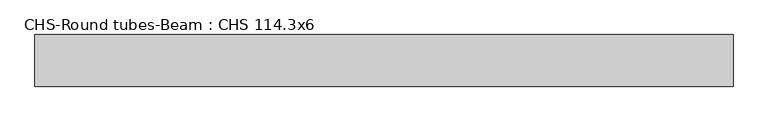
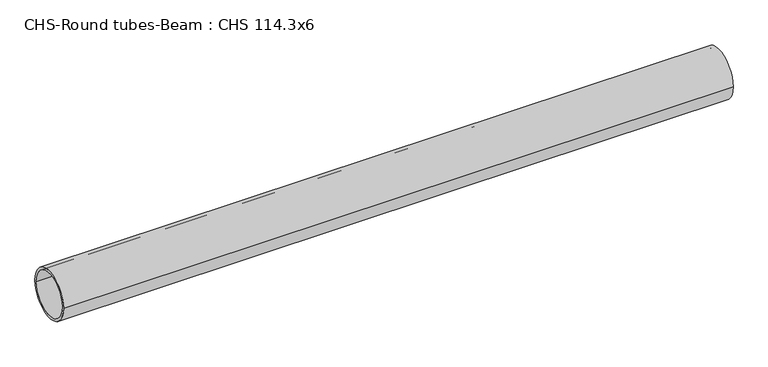
"""IFC4 building model written with IfcOpenShell, lengths in millimetres: beam geometry, CHS-Round tubes-Beam : CHS 114.3x6."""

from ifc_helpers import new_model, si_unit, point, frame, origin, origin_2d, place, context, project, spatial, circle_curve, trimmed, segment, composite_curve, outline, extrude, source, transform, mapped, element, save


def chs_round_tubes_beam_chs_114_3x6_3a38a280(model_context):
    return source(origin(), model_context, "Body", "SweptSolid", [
        extrude(outline(composite_curve([segment(trimmed(circle_curve(origin_2d(), 57.15), [point((57.15, 0.0))], [point((-57.15, 0.0))], False, "CARTESIAN"), True, "CONTINUOUS"), segment(trimmed(circle_curve(origin_2d(), 57.15), [point((-57.15, 0.0))], [point((57.15, 0.0))], False, "CARTESIAN"), True, "CONTINUOUS")], self_intersect=False), holes=[composite_curve([segment(trimmed(circle_curve(origin_2d(), 51.15), [point((51.15, 0.0))], [point((-51.15, 0.0))], True, "CARTESIAN"), True, "CONTINUOUS"), segment(trimmed(circle_curve(origin_2d(), 51.15), [point((-51.15, 0.0))], [point((51.15, 0.0))], True, "CARTESIAN"), True, "CONTINUOUS")], self_intersect=False)]), frame((-763.0779642, 0.0, 0.0), z_axis=(1.0, 0.0, 0.0), x_axis=(0.0, 1.0, 0.0)), (0.0, 0.0, 1.0), 1544.7359727),
    ])


if __name__ == "__main__":
    model = new_model("IFC4")
    model_context = context("Model", 3, world=origin())
    ifc_project = project(units=[si_unit("LENGTHUNIT", "METRE", prefix="MILLI")], contexts=[model_context])
    site = spatial("IfcSite", under=ifc_project)
    building = spatial("IfcBuilding", under=site)
    placement = place(None, origin())
    chs_round_tubes_beam_chs_114_3x6_shape = chs_round_tubes_beam_chs_114_3x6_3a38a280(model_context)
    element("IfcBeam", 1, ObjectType="CHS-Round tubes-Beam : CHS 114.3x6", at=placement, inside=building, context=model_context, shape_type="MappedRepresentation", body=[
        mapped(chs_round_tubes_beam_chs_114_3x6_shape, transform((0.0, 0.0, 0.0), x_axis=(1.0, 0.0, 0.0), y_axis=(0.0, 1.0, 0.0), z_axis=(0.0, 0.0, 1.0))),
    ])
    save(model, "model.ifc")
